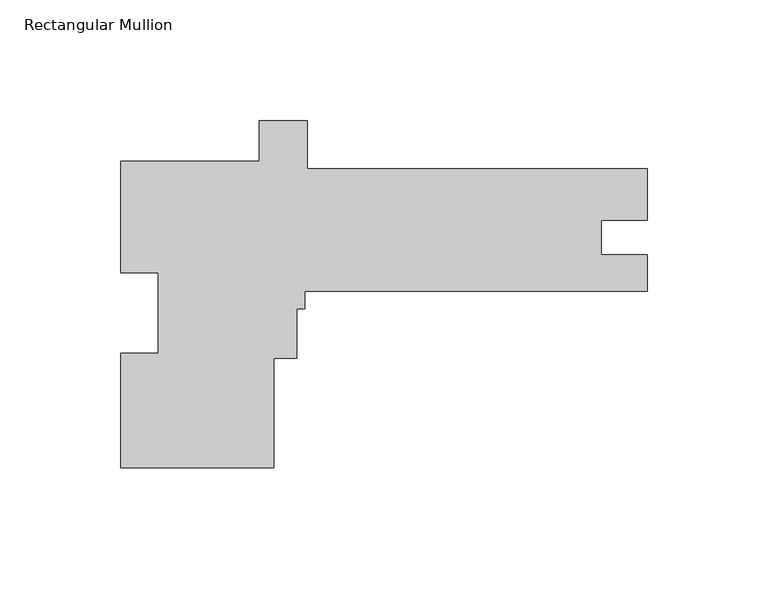
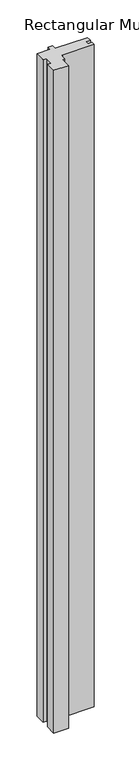
"""IFC4 building model written with IfcOpenShell, lengths in millimetres: member geometry, Rectangular Mullion."""

from ifc_helpers import new_model, si_unit, frame, origin, place, context, project, spatial, polyline, outline, extrude, source, transform, mapped, element, save


def rectangular_mullion_da5e5694(model_context):
    return source(origin(), model_context, "Body", "SweptSolid", [
        extrude(outline(polyline([(-154.7812513, -63.4111), (-218.2812513, -63.4111), (-218.2812513, -15.942786), (-202.7872513, -15.942786), (-202.7872513, 17.4076346), (-218.2812513, 17.4076346), (-218.2812513, 63.5889), (-160.7486168, 63.5889), (-160.7486168, 80.3779658), (-140.9048668, 80.3779658), (-140.9048668, 60.4139), (-1.3e-06, 60.4139), (-1.3e-06, 39.0270934), (-19.0246, 39.0270934), (-19.0246, 24.7142), (0.0, 24.7142), (0.0, 9.6139), (-142.0812513, 9.6139), (-142.0812513, 2.451354), (-145.2562513, 2.451354), (-145.2562513, -18.173446), (-154.7812513, -18.173446), (-154.7812513, -63.4111)])), frame((0.0, 0.0, -3048.0), z_axis=(0.0, 0.0, 1.0), x_axis=(1.0, 0.0, 0.0)), (0.0, 0.0, 1.0), 3048.0),
    ])


if __name__ == "__main__":
    model = new_model("IFC4")
    model_context = context("Model", 3, world=origin())
    ifc_project = project(units=[si_unit("LENGTHUNIT", "METRE", prefix="MILLI")], contexts=[model_context])
    site = spatial("IfcSite", under=ifc_project)
    building = spatial("IfcBuilding", under=site)
    placement = place(None, origin())
    rectangular_mullion_shape = rectangular_mullion_da5e5694(model_context)
    element("IfcMember", 1, ObjectType="Rectangular Mullion", at=placement, inside=building, context=model_context, shape_type="MappedRepresentation", body=[
        mapped(rectangular_mullion_shape, transform((0.0, 0.0, 0.0), x_axis=(1.0, 0.0, 0.0), y_axis=(0.0, 1.0, 0.0), z_axis=(0.0, 0.0, 1.0))),
    ])
    save(model, "model.ifc")
